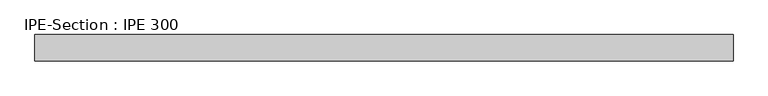
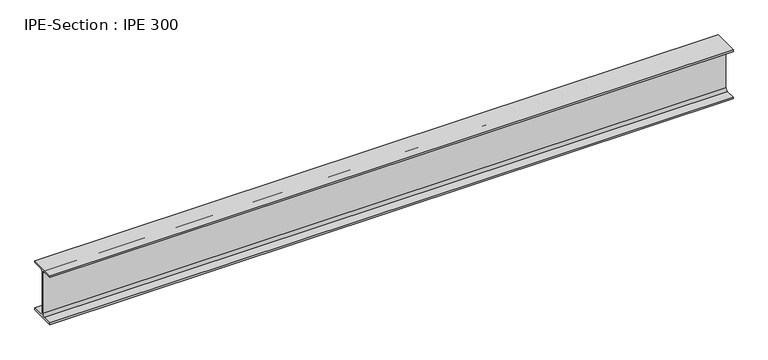
"""IFC4 building model written with IfcOpenShell, lengths in millimetres: beam geometry, IPE-Section : IPE 300."""

from ifc_helpers import new_model, si_unit, point, frame, frame_2d, origin, place, context, project, spatial, polyline, circle_curve, trimmed, segment, composite_curve, outline, extrude, source, transform, mapped, element, save


def ipe_section_ipe_300_d38df4b0(model_context):
    return source(origin(), model_context, "Body", "SweptSolid", [
        extrude(outline(composite_curve([segment(polyline([(75.0, -139.3), (75.0, -150.0), (-75.0, -150.0), (-75.0, -139.3), (-18.55, -139.3)]), True, "CONTINUOUS"), segment(trimmed(circle_curve(frame_2d((-18.55, -124.3)), 15.0), [point((-18.55, -139.3))], [point((-3.55, -124.3))], True, "CARTESIAN"), True, "CONTINUOUS"), segment(polyline([(-3.55, -124.3), (-3.55, 124.3)]), True, "CONTINUOUS"), segment(trimmed(circle_curve(frame_2d((-18.55, 124.3)), 15.0), [point((-3.55, 124.3))], [point((-18.55, 139.3))], True, "CARTESIAN"), True, "CONTINUOUS"), segment(polyline([(-18.55, 139.3), (-75.0, 139.3), (-75.0, 150.0), (75.0, 150.0), (75.0, 139.3), (18.55, 139.3)]), True, "CONTINUOUS"), segment(trimmed(circle_curve(frame_2d((18.55, 124.3)), 15.0), [point((18.55, 139.3))], [point((3.55, 124.3))], True, "CARTESIAN"), True, "CONTINUOUS"), segment(polyline([(3.55, 124.3), (3.55, -124.3)]), True, "CONTINUOUS"), segment(trimmed(circle_curve(frame_2d((18.55, -124.3)), 15.0), [point((3.55, -124.3))], [point((18.55, -139.3))], True, "CARTESIAN"), True, "CONTINUOUS"), segment(polyline([(18.55, -139.3), (75.0, -139.3)]), True, "CONTINUOUS")], self_intersect=False)), frame((-1975.2166822, 0.0, 0.0), z_axis=(1.0, 0.0, 0.0), x_axis=(0.0, 1.0, 0.0)), (0.0, 0.0, 1.0), 3950.4146129),
    ])


if __name__ == "__main__":
    model = new_model("IFC4")
    model_context = context("Model", 3, world=origin())
    ifc_project = project(units=[si_unit("LENGTHUNIT", "METRE", prefix="MILLI")], contexts=[model_context])
    site = spatial("IfcSite", under=ifc_project)
    building = spatial("IfcBuilding", under=site)
    placement = place(None, origin())
    ipe_section_ipe_300_shape = ipe_section_ipe_300_d38df4b0(model_context)
    element("IfcBeam", 1, ObjectType="IPE-Section : IPE 300", at=placement, inside=building, context=model_context, shape_type="MappedRepresentation", body=[
        mapped(ipe_section_ipe_300_shape, transform((0.0, 0.0, 0.0), x_axis=(1.0, 0.0, 0.0), y_axis=(0.0, 1.0, 0.0), z_axis=(0.0, 0.0, 1.0))),
    ])
    save(model, "model.ifc")
